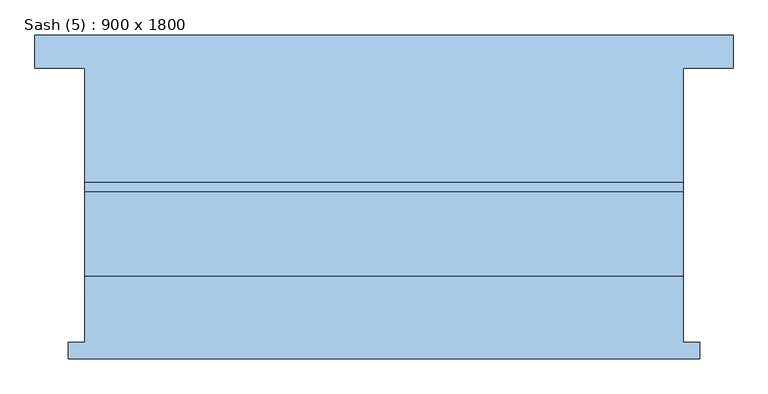
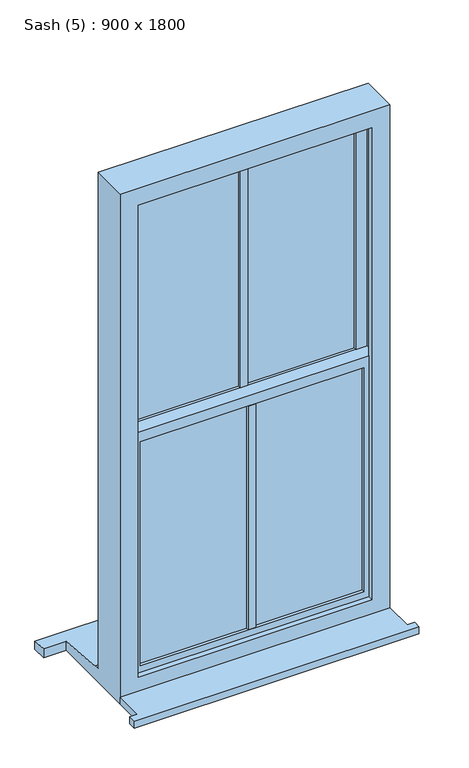
"""IFC4 building model written with IfcOpenShell, lengths in millimetres: window geometry, Sash (5) : 900 x 1800."""

from ifc_helpers import new_model, si_unit, frame, origin, place, context, project, spatial, polyline, outline, extrude, faceted_brep, source, transform, mapped, element, save


def sash_5_900_x_1800_6143537c(model_context):
    return source(origin(), model_context, "Body", "SolidModel", [
        extrude(outline(polyline([(-475.0, -180.0), (-475.0, -155.0), (-450.0, -155.0), (-450.0, -55.5), (450.0, -55.5), (450.0, -155.0), (475.0, -155.0), (475.0, -180.0), (-475.0, -180.0)])), frame((0.0, 0.0, 760.0), z_axis=(0.0, 0.0, 1.0), x_axis=(1.0, 0.0, 0.0)), (0.0, 0.0, 1.0), 25.0),
        faceted_brep([(410.0, 7.5, 2520.0), (410.0, 52.5, 2520.0), (-410.0, 52.5, 2520.0), (-410.0, 7.5, 2520.0), (373.0, 18.0, 2483.0), (373.0, 7.5, 2483.0), (-373.0, 7.5, 2483.0), (-373.0, 18.0, 2483.0), (383.0, 42.0, 2493.0), (383.0, 18.0, 2493.0), (-383.0, 18.0, 2493.0), (-383.0, 42.0, 2493.0), (373.0, 52.5, 2483.0), (373.0, 42.0, 2483.0), (-373.0, 42.0, 2483.0), (-373.0, 52.5, 2483.0), (-410.0, 52.5, 1597.5), (-410.0, 7.5, 1597.5), (-373.0, 7.5, 1684.5), (-373.0, 18.0, 1684.5), (-383.0, 18.0, 1674.5), (-383.0, 42.0, 1674.5), (-373.0, 42.0, 1684.5), (-373.0, 52.5, 1684.5), (383.0, 52.5, 1647.5), (383.0, 7.5, 1647.5), (-383.0, 7.5, 1647.5), (-383.0, 52.5, 1647.5), (373.0, 7.5, 1684.5), (373.0, 18.0, 1684.5), (383.0, 18.0, 1674.5), (383.0, 42.0, 1674.5), (373.0, 42.0, 1684.5), (373.0, 52.5, 1684.5), (410.0, 7.5, 1597.5), (410.0, 52.5, 1597.5), (-390.0, 7.5, 1597.5), (390.0, 7.5, 1597.5), (390.0, 52.5, 1597.5), (-390.0, 52.5, 1597.5)], [[[0, 1, 2, 3]], [[4, 5, 6, 7]], [[8, 9, 10, 11]], [[12, 13, 14, 15]], [[3, 2, 16, 17]], [[7, 6, 18, 19]], [[11, 10, 20, 21]], [[15, 14, 22, 23]], [[24, 25, 26, 27]], [[19, 18, 28, 29]], [[21, 20, 30, 31]], [[23, 22, 32, 33]], [[1, 0, 34, 35]], [[0, 3, 17, 36, 26, 25, 37, 34], [6, 5, 28, 18]], [[5, 4, 29, 28]], [[10, 9, 30, 20], [4, 7, 19, 29]], [[9, 8, 31, 30]], [[8, 11, 21, 31], [14, 13, 32, 22]], [[13, 12, 33, 32]], [[16, 2, 1, 35, 38, 24, 27, 39], [12, 15, 23, 33]], [[37, 38, 35, 34]], [[38, 37, 25, 24]], [[36, 17, 16, 39]], [[36, 39, 27, 26]]]),
        extrude(outline(polyline([(-12.5, 7.5), (-12.5, 52.5), (12.5, 52.5), (12.5, 7.5), (-12.5, 7.5)])), frame((0.0, 0.0, 1684.5), z_axis=(0.0, 0.0, 1.0), x_axis=(1.0, 0.0, 0.0)), (0.0, 0.0, 1.0), 798.5),
        extrude(outline(polyline([(12.5, 7.5), (12.5, -37.5), (-12.5, -37.5), (-12.5, 7.5), (12.5, 7.5)])), frame((0.0, 0.0, 858.0), z_axis=(0.0, 0.0, 1.0), x_axis=(1.0, 0.0, 0.0)), (0.0, 0.0, 1.0), 790.0),
        extrude(outline(polyline([(383.0, 18.0), (-383.0, 18.0), (-383.0, 42.0), (383.0, 42.0), (383.0, 18.0)])), frame((0.0, 0.0, 1674.5), z_axis=(0.0, 0.0, 1.0), x_axis=(1.0, 0.0, 0.0)), (0.0, 0.0, 1.0), 818.5),
        extrude(outline(polyline([(383.0, -27.0), (-383.0, -27.0), (-383.0, -3.0), (383.0, -3.0), (383.0, -27.0)])), frame((0.0, 0.0, 848.0), z_axis=(0.0, 0.0, 1.0), x_axis=(1.0, 0.0, 0.0)), (0.0, 0.0, 1.0), 810.0),
        faceted_brep([(373.0, -27.0, 1648.0), (373.0, -37.5, 1648.0), (-373.0, -37.5, 1648.0), (-373.0, -27.0, 1648.0), (383.0, -3.0, 1658.0), (383.0, -27.0, 1658.0), (-383.0, -27.0, 1658.0), (-383.0, -3.0, 1658.0), (373.0, 7.5, 1648.0), (373.0, -3.0, 1648.0), (-373.0, -3.0, 1648.0), (-373.0, 7.5, 1648.0), (410.0, -37.5, 1685.0), (410.0, 7.5, 1685.0), (-410.0, 7.5, 1685.0), (-410.0, -37.5, 1685.0), (-373.0, -37.5, 858.0), (-373.0, -27.0, 858.0), (-383.0, -27.0, 848.0), (-383.0, -3.0, 848.0), (-373.0, -3.0, 858.0), (-373.0, 7.5, 858.0), (-410.0, 7.5, 821.0), (-410.0, -37.5, 821.0), (373.0, -37.5, 858.0), (373.0, -27.0, 858.0), (383.0, -27.0, 848.0), (383.0, -3.0, 848.0), (373.0, -3.0, 858.0), (373.0, 7.5, 858.0), (410.0, 7.5, 821.0), (410.0, -37.5, 821.0)], [[[0, 1, 2, 3]], [[4, 5, 6, 7]], [[8, 9, 10, 11]], [[12, 13, 14, 15]], [[3, 2, 16, 17]], [[7, 6, 18, 19]], [[11, 10, 20, 21]], [[15, 14, 22, 23]], [[17, 16, 24, 25]], [[19, 18, 26, 27]], [[21, 20, 28, 29]], [[23, 22, 30, 31]], [[15, 23, 31, 12], [1, 24, 16, 2]], [[25, 24, 1, 0]], [[5, 26, 18, 6], [3, 17, 25, 0]], [[27, 26, 5, 4]], [[7, 19, 27, 4], [9, 28, 20, 10]], [[29, 28, 9, 8]], [[13, 30, 22, 14], [11, 21, 29, 8]], [[31, 30, 13, 12]]]),
        faceted_brep([(450.0, 70.5, 2560.0), (450.0, -55.5, 2560.0), (450.0, -55.5, 760.0), (450.0, 257.5, 760.0), (450.0, 257.5, 793.0606559), (450.0, 85.5, 806.6), (450.0, 85.5, 811.0), (450.0, 70.5, 811.0), (-450.0, -55.5, 2560.0), (-450.0, -55.5, 760.0), (-390.0, -55.5, 2500.0), (390.0, -55.5, 2500.0), (390.0, -55.5, 835.0), (-390.0, -55.5, 835.0), (390.0, -37.5, 2500.0), (390.0, -37.5, 835.0), (-410.0, -37.5, 2520.0), (410.0, -37.5, 2520.0), (410.0, -37.5, 823.0), (-410.0, -37.5, 823.0), (-390.0, -37.5, 2500.0), (-390.0, -37.5, 835.0), (410.0, 52.5, 2520.0), (410.0, 52.5, 823.0), (-410.0, 52.5, 2520.0), (-410.0, 52.5, 823.0), (-390.0, 52.5, 823.0), (-390.0, 52.5, 2500.0), (390.0, 52.5, 2500.0), (390.0, 52.5, 823.0), (390.0, 70.5, 2500.0), (390.0, 70.5, 823.0), (-450.0, 70.5, 811.0), (-450.0, 70.5, 2560.0), (-390.0, 70.5, 2500.0), (-390.0, 70.5, 823.0), (-450.0, 85.5, 811.0), (-450.0, 85.5, 806.6), (-450.0, 257.5, 793.0606559), (-450.0, 257.5, 760.0), (-525.0, 307.5, 789.1248), (-525.0, 307.5, 760.0), (-525.0, 257.5, 760.0), (-525.0, 257.5, 793.0606559), (525.0, 307.5, 760.0), (525.0, 307.5, 789.1248), (525.0, 257.5, 793.0606559), (525.0, 257.5, 760.0)], [[[0, 1, 2, 3, 4, 5, 6, 7]], [[2, 1, 8, 9], [10, 11, 12, 13]], [[11, 14, 15, 12]], [[16, 17, 18, 19], [14, 20, 21, 15]], [[17, 22, 23, 18]], [[22, 24, 25, 26, 27, 28, 29, 23]], [[28, 30, 31, 29]], [[32, 33, 0, 7], [30, 34, 35, 31]], [[1, 0, 33, 8]], [[11, 10, 20, 14]], [[17, 16, 24, 22]], [[28, 27, 34, 30]], [[8, 33, 32, 36, 37, 38, 39, 9]], [[20, 10, 13, 21]], [[24, 16, 19, 25]], [[34, 27, 26, 35]], [[40, 41, 42, 43]], [[44, 45, 46, 47]], [[15, 21, 13, 12]], [[31, 35, 26, 25, 19, 18, 23, 29]], [[32, 7, 6, 36]], [[36, 6, 5, 37]], [[45, 40, 43, 38, 37, 5, 4, 46]], [[41, 40, 45, 44]], [[41, 44, 47, 3, 2, 9, 39, 42]], [[39, 38, 43, 42]], [[4, 3, 47, 46]]]),
    ])


if __name__ == "__main__":
    model = new_model("IFC4")
    model_context = context("Model", 3, world=origin())
    ifc_project = project(units=[si_unit("LENGTHUNIT", "METRE", prefix="MILLI")], contexts=[model_context])
    site = spatial("IfcSite", under=ifc_project)
    building = spatial("IfcBuilding", under=site)
    placement = place(None, origin())
    sash_5_900_x_1800_shape = sash_5_900_x_1800_6143537c(model_context)
    element("IfcWindow", 1, ObjectType="Sash (5) : 900 x 1800", at=placement, inside=building, context=model_context, shape_type="MappedRepresentation", body=[
        mapped(sash_5_900_x_1800_shape, transform((0.0, 0.0, 0.0), x_axis=(1.0, 0.0, 0.0), y_axis=(0.0, 1.0, 0.0), z_axis=(0.0, 0.0, 1.0))),
    ])
    save(model, "model.ifc")
